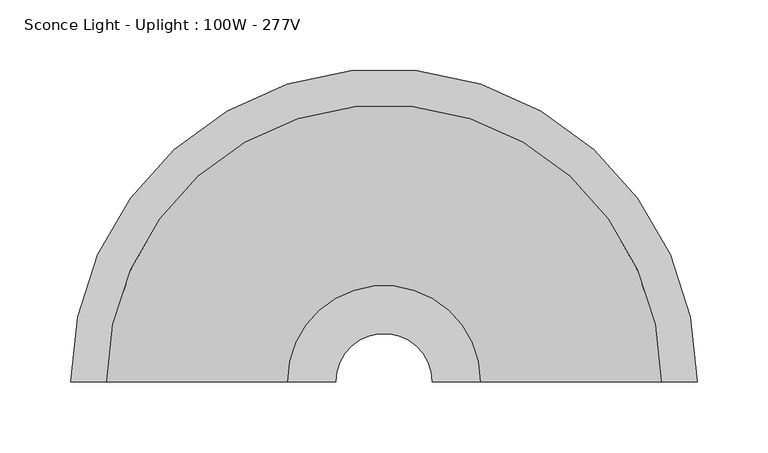
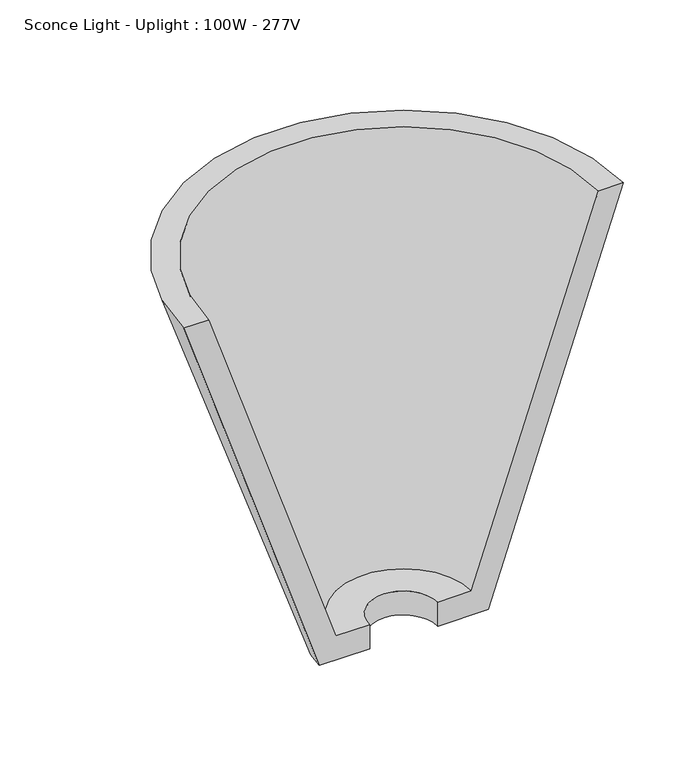
"""IFC4 building model written with IfcOpenShell, lengths in millimetres: light fixture geometry, Sconce Light - Uplight : 100W - 277V."""

from ifc_helpers import new_model, si_unit, frame, origin, place, context, project, spatial, polyline, circle_curve, source, transform, mapped, element, save
from ifc_brep_helpers import plane_surface, revolved_surface, advanced_brep


def sconce_light_uplight_100w_277v_586cf05a(model_context):
    return source(origin(), model_context, "Body", "AdvancedBrep", [
        advanced_brep(
        [(-221.2056669, 39.6875, 2133.6), (-85.0253975, 39.6875, 1727.2), (-34.2253975, 39.6875, 1727.2), (-34.2253975, 39.6875, 1752.6), (-68.1366644, 39.6875, 1752.6), (-195.8056669, 39.6875, 2133.6), (221.2056669, 39.6875, 2133.6), (195.8056669, 39.6875, 2133.6), (68.1366644, 39.6875, 1752.6), (34.2253975, 39.6875, 1752.6), (34.2253975, 39.6875, 1727.2), (85.0253975, 39.6875, 1727.2)],
        [
            (0, 1),
            (1, 2),
            (2, 3),
            (3, 4),
            (4, 5),
            (5, 0),
            (6, 7),
            (7, 8),
            (8, 9),
            (9, 10),
            (10, 11),
            (11, 6),
            (11, 1, circle_curve(frame((0.0, 39.6875, 1727.2), z_axis=(0.0, 0.0, 1.0), x_axis=(-1.0, 0.0, 0.0)), 85.0253975)),
            (0, 6, circle_curve(frame((0.0, 39.6875, 2133.6), z_axis=(0.0, 0.0, -1.0), x_axis=(-1.0, 0.0, 0.0)), 221.2056669)),
            (10, 2, circle_curve(frame((0.0, 39.6875, 1727.2), z_axis=(0.0, 0.0, 1.0), x_axis=(-1.0, 0.0, 0.0)), 34.2253975)),
            (9, 3, circle_curve(frame((0.0, 39.6875, 1752.6), z_axis=(0.0, 0.0, 1.0), x_axis=(-1.0, 0.0, 0.0)), 34.2253975)),
            (8, 4, circle_curve(frame((0.0, 39.6875, 1752.6), z_axis=(0.0, 0.0, 1.0), x_axis=(-1.0, 0.0, 0.0)), 68.1366644)),
            (7, 5, circle_curve(frame((0.0, 39.6875, 2133.6), z_axis=(0.0, 0.0, 1.0), x_axis=(-1.0, 0.0, 0.0)), 195.8056669)),
        ],
        [
            plane_surface(frame((0.0, 39.6875, 1967.174367), z_axis=(0.0, -1.0, 0.0), x_axis=(-1.0, 0.0, 0.0))),
            plane_surface(frame((0.0, 39.6875, 1967.174367), z_axis=(0.0, -1.0, 0.0), x_axis=(1.0, 0.0, 0.0))),
            revolved_surface(polyline([(-221.2056669, 39.6875, 2133.6), (-85.0253975, 39.6875, 1727.2)]), (0.0, 39.6875, 1967.174367), (0.0, 0.0, -1.0)),
            plane_surface(frame((0.0, 39.6875, 1727.2), z_axis=(0.0, 0.0, -1.0), x_axis=(-1.0, 0.0, 0.0))),
            revolved_surface(polyline([(-34.2253975, 39.6875, 1727.2), (-34.2253975, 39.6875, 1752.6)]), (0.0, 39.6875, 1967.174367), (0.0, 0.0, -1.0)),
            plane_surface(frame((0.0, 39.6875, 1752.6), z_axis=(0.0, 0.0, 1.0), x_axis=(-1.0, 0.0, 0.0))),
            revolved_surface(polyline([(-68.1366644, 39.6875, 1752.6), (-195.8056669, 39.6875, 2133.6)]), (0.0, 39.6875, 1967.174367), (0.0, 0.0, -1.0)),
            plane_surface(frame((0.0, 39.6875, 2133.6), z_axis=(0.0, 0.0, 1.0), x_axis=(-1.0, 0.0, 0.0))),
        ],
        [
            (0, [[1, 2, 3, 4, 5, 6]]),
            (1, [[7, 8, 9, 10, 11, 12]]),
            (2, [[13, -1, 14, -12]]),
            (3, [[15, -2, -13, -11]]),
            (4, [[16, -3, -15, -10]]),
            (5, [[17, -4, -16, -9]]),
            (6, [[18, -5, -17, -8]]),
            (7, [[-14, -6, -18, -7]]),
        ],
    ),
    ])


if __name__ == "__main__":
    model = new_model("IFC4")
    model_context = context("Model", 3, world=origin())
    ifc_project = project(units=[si_unit("LENGTHUNIT", "METRE", prefix="MILLI")], contexts=[model_context])
    site = spatial("IfcSite", under=ifc_project)
    building = spatial("IfcBuilding", under=site)
    placement = place(None, origin())
    sconce_light_uplight_100w_277v_shape = sconce_light_uplight_100w_277v_586cf05a(model_context)
    element("IfcLightFixture", 1, ObjectType="Sconce Light - Uplight : 100W - 277V", at=placement, inside=building, context=model_context, shape_type="MappedRepresentation", body=[
        mapped(sconce_light_uplight_100w_277v_shape, transform((0.0, 0.0, 0.0), x_axis=(1.0, 0.0, 0.0), y_axis=(0.0, 1.0, 0.0), z_axis=(0.0, 0.0, 1.0))),
    ])
    save(model, "model.ifc")
